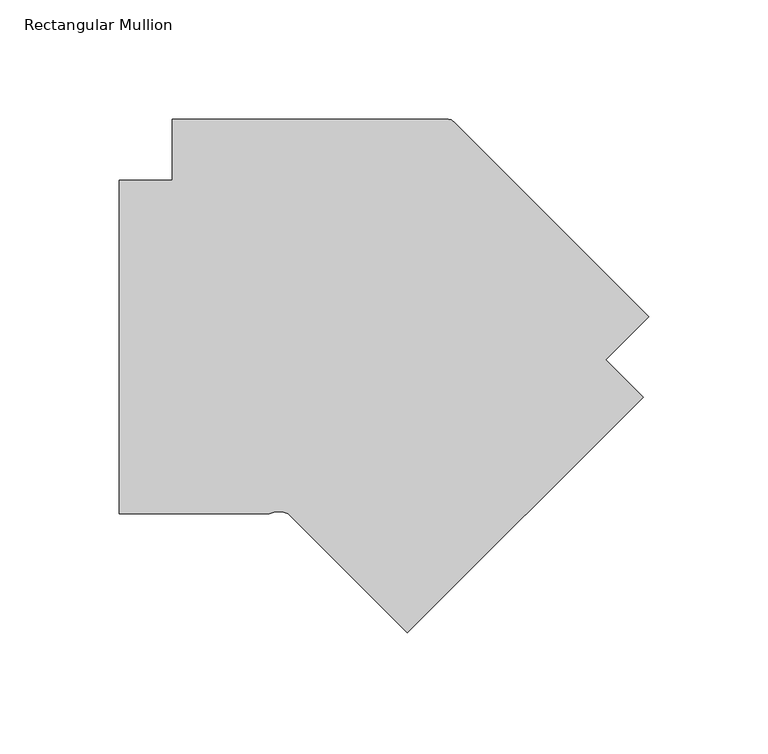
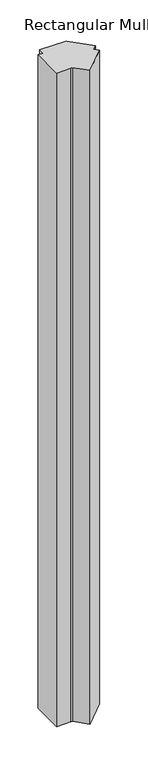
"""IFC4 building model written with IfcOpenShell, lengths in millimetres: member geometry, Rectangular Mullion."""

from ifc_helpers import new_model, si_unit, point, frame, frame_2d, origin, place, context, project, spatial, polyline, circle_curve, trimmed, segment, composite_curve, outline, extrude, source, transform, mapped, element, save


def rectangular_mullion_bad41389(model_context):
    return source(origin(), model_context, "Body", "SweptSolid", [
        extrude(outline(composite_curve([segment(polyline([(-221.6243786, -165.0999894), (-221.6243786, -25.3999944), (-199.3994918, -25.3999944), (-199.3994918, 0.0), (-83.9091019, 0.0)]), True, "CONTINUOUS"), segment(trimmed(circle_curve(frame_2d((-83.9091019, -3.175)), 3.175), [point((-83.9091019, 0.0))], [point((-81.6640378, -0.929936))], False, "CARTESIAN"), True, "CONTINUOUS"), segment(polyline([(-81.6640378, -0.929936), (0.0, -82.5939738), (-17.9605083, -100.5544821), (-2.2451402, -116.2698503), (-101.027954, -215.0526641), (-150.9269176, -165.1537004)]), True, "CONTINUOUS"), segment(trimmed(circle_curve(frame_2d((-154.9491833, -174.680928)), 10.3415031), [point((-150.9269176, -165.1537004))], [point((-158.8417792, -165.0999894))], True, "CARTESIAN"), True, "CONTINUOUS"), segment(polyline([(-158.8417792, -165.0999894), (-221.6243786, -165.0999894)]), True, "CONTINUOUS")], self_intersect=False)), frame((0.0, 0.0, -3048.0), z_axis=(0.0, 0.0, 1.0), x_axis=(1.0, 0.0, 0.0)), (0.0, 0.0, 1.0), 3048.0),
    ])


if __name__ == "__main__":
    model = new_model("IFC4")
    model_context = context("Model", 3, world=origin())
    ifc_project = project(units=[si_unit("LENGTHUNIT", "METRE", prefix="MILLI")], contexts=[model_context])
    site = spatial("IfcSite", under=ifc_project)
    building = spatial("IfcBuilding", under=site)
    placement = place(None, origin())
    rectangular_mullion_shape = rectangular_mullion_bad41389(model_context)
    element("IfcMember", 1, ObjectType="Rectangular Mullion", at=placement, inside=building, context=model_context, shape_type="MappedRepresentation", body=[
        mapped(rectangular_mullion_shape, transform((0.0, 0.0, 0.0), x_axis=(1.0, 0.0, 0.0), y_axis=(0.0, 1.0, 0.0), z_axis=(0.0, 0.0, 1.0))),
    ])
    save(model, "model.ifc")
